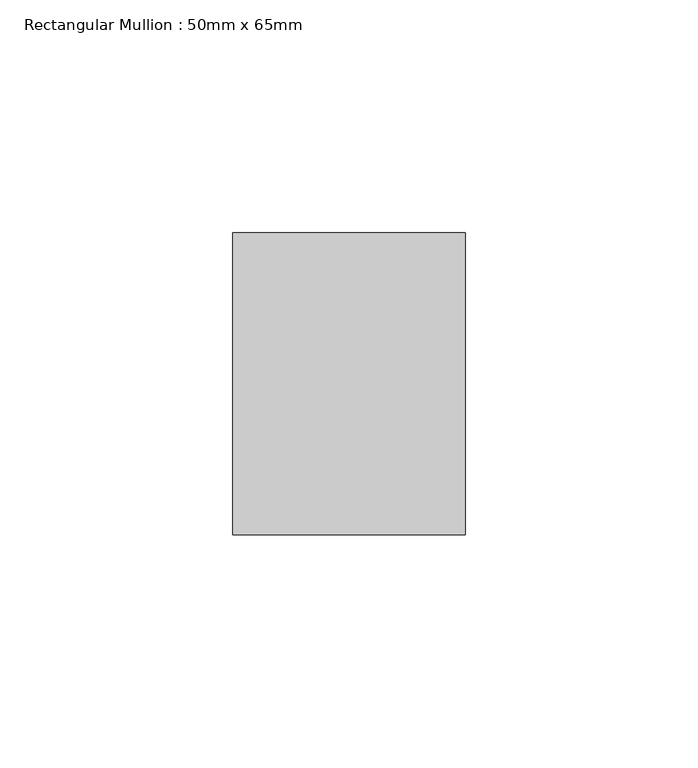
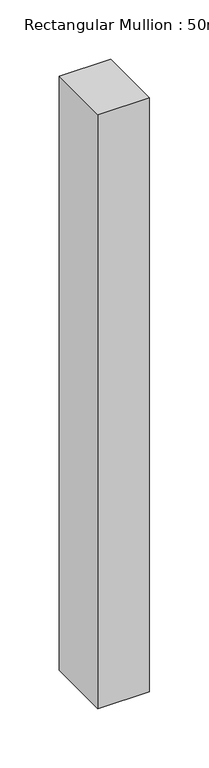
"""IFC4 building model written with IfcOpenShell, lengths in millimetres: member geometry, Rectangular Mullion : 50mm x 65mm."""

from ifc_helpers import new_model, si_unit, frame, origin, place, context, project, spatial, polyline, outline, extrude, source, transform, mapped, element, save


def rectangular_mullion_50mm_x_65mm_70d0b16b(model_context):
    return source(origin(), model_context, "Body", "SweptSolid", [
        extrude(outline(polyline([(25.0, 32.5), (25.0, -32.5), (-25.0, -32.5), (-25.0, 32.5), (25.0, 32.5)])), frame((0.0, 0.0, -610.7646353), z_axis=(0.0, 0.0, 1.0), x_axis=(1.0, 0.0, 0.0)), (0.0, 0.0, 1.0), 610.7646353),
    ])


if __name__ == "__main__":
    model = new_model("IFC4")
    model_context = context("Model", 3, world=origin())
    ifc_project = project(units=[si_unit("LENGTHUNIT", "METRE", prefix="MILLI")], contexts=[model_context])
    site = spatial("IfcSite", under=ifc_project)
    building = spatial("IfcBuilding", under=site)
    placement = place(None, origin())
    rectangular_mullion_50mm_x_65mm_shape = rectangular_mullion_50mm_x_65mm_70d0b16b(model_context)
    element("IfcMember", 1, ObjectType="Rectangular Mullion : 50mm x 65mm", at=placement, inside=building, context=model_context, shape_type="MappedRepresentation", body=[
        mapped(rectangular_mullion_50mm_x_65mm_shape, transform((0.0, 0.0, 0.0), x_axis=(1.0, 0.0, 0.0), y_axis=(0.0, 1.0, 0.0), z_axis=(0.0, 0.0, 1.0))),
    ])
    save(model, "model.ifc")
